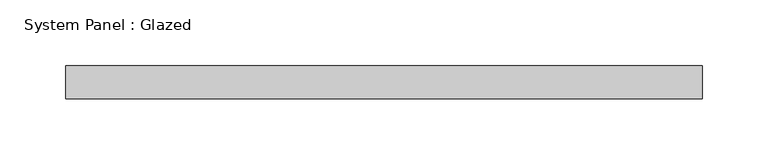
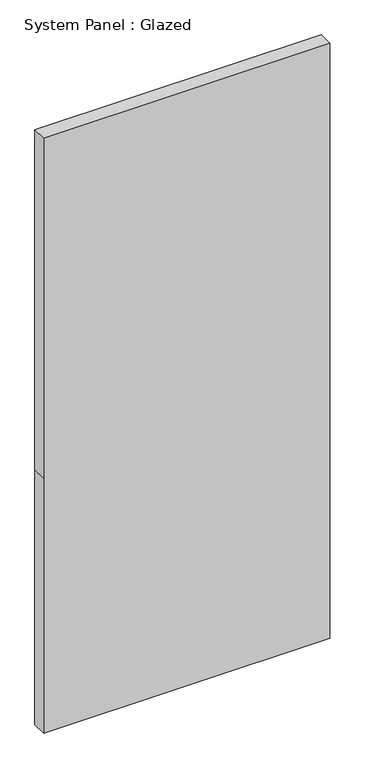
"""IFC4 building model written with IfcOpenShell, lengths in millimetres: plate geometry, System Panel : Glazed."""

from ifc_helpers import new_model, si_unit, frame, origin, place, context, project, spatial, polyline, outline, extrude, source, transform, mapped, element, save


def system_panel_glazed_b14f939d(model_context):
    return source(origin(), model_context, "Body", "SweptSolid", [
        extrude(outline(polyline([(0.0, -242.8875), (0.0, 242.8875), (457.2, 242.8875), (1066.8, 242.8875), (1066.8, -242.8875), (457.2, -242.8875), (0.0, -242.8875)])), frame((0.0, -44.45, 0.0), z_axis=(0.0, 1.0, 0.0), x_axis=(0.0, 0.0, 1.0)), (0.0, 0.0, 1.0), 25.4),
    ])


if __name__ == "__main__":
    model = new_model("IFC4")
    model_context = context("Model", 3, world=origin())
    ifc_project = project(units=[si_unit("LENGTHUNIT", "METRE", prefix="MILLI")], contexts=[model_context])
    site = spatial("IfcSite", under=ifc_project)
    building = spatial("IfcBuilding", under=site)
    placement = place(None, origin())
    system_panel_glazed_shape = system_panel_glazed_b14f939d(model_context)
    element("IfcPlate", 1, ObjectType="System Panel : Glazed", at=placement, inside=building, context=model_context, shape_type="MappedRepresentation", body=[
        mapped(system_panel_glazed_shape, transform((0.0, 0.0, 0.0), x_axis=(1.0, 0.0, 0.0), y_axis=(0.0, 1.0, 0.0), z_axis=(0.0, 0.0, 1.0))),
    ])
    save(model, "model.ifc")
